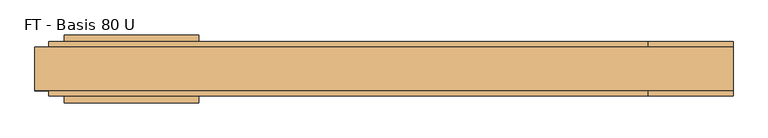
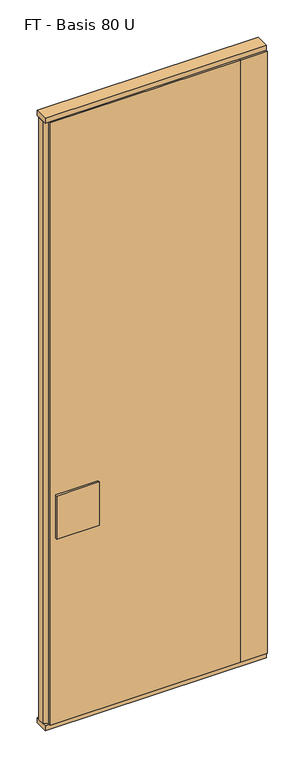
"""IFC4 building model written with IfcOpenShell, lengths in millimetres: door geometry, FT - Basis 80 U."""

from ifc_helpers import new_model, si_unit, frame, origin, origin_with_axes, place, context, project, spatial, polyline, outline, extrude, source, transform, mapped, element, save


def ft_basis_80_u_223a8489(model_context):
    return source(origin(), model_context, "Body", "SweptSolid", [
        extrude(outline(polyline([(387.5, 40.0), (387.5, 23.0), (407.5, 17.6410162), (407.5, -17.6410162), (387.5, -23.0), (387.5, -40.0), (-492.5, -40.0), (-492.5, -23.0), (-512.5, -17.6410162), (-512.5, 17.6410162), (-492.5, 23.0), (-492.5, 40.0), (387.5, 40.0)])), frame((0.0, 0.0, 25.0), z_axis=(0.0, 0.0, 1.0), x_axis=(1.0, 0.0, 0.0)), (0.0, 0.0, 1.0), 2950.0),
        extrude(outline(polyline([(-272.2719698, -50.0), (-469.2719698, -50.0), (-469.2719698, -40.0), (-272.2719698, -40.0), (-272.2719698, -50.0)])), frame((0.0, 0.0, 934.0), z_axis=(0.0, 0.0, 1.0), x_axis=(1.0, 0.0, 0.0)), (0.0, 0.0, 1.0), 212.0),
        extrude(outline(polyline([(-272.2719698, 40.0), (-469.2719698, 40.0), (-469.2719698, 50.0), (-272.2719698, 50.0), (-272.2719698, 40.0)])), frame((0.0, 0.0, 934.0), z_axis=(0.0, 0.0, 1.0), x_axis=(1.0, 0.0, 0.0)), (0.0, 0.0, 1.0), 212.0),
        extrude(outline(polyline([(387.5, -40.0), (387.5, -23.0), (407.5, -17.6410162), (407.5, 17.6410162), (387.5, 23.0), (387.5, 40.0), (512.5, 40.0), (512.5, -40.0), (387.5, -40.0)])), frame((0.0, 0.0, 25.0), z_axis=(0.0, 0.0, 1.0), x_axis=(1.0, 0.0, 0.0)), (0.0, 0.0, 1.0), 2950.0),
        extrude(outline(polyline([(512.5, 32.0), (512.5, -32.0), (-512.5, -32.0), (-512.5, 32.0), (512.5, 32.0)])), origin_with_axes(), (0.0, 0.0, 1.0), 25.0),
        extrude(outline(polyline([(512.5, 32.0), (512.5, -32.0), (-512.5, -32.0), (-512.5, 32.0), (512.5, 32.0)])), frame((0.0, 0.0, 2975.0), z_axis=(0.0, 0.0, 1.0), x_axis=(1.0, 0.0, 0.0)), (0.0, 0.0, 1.0), 25.0),
    ])


if __name__ == "__main__":
    model = new_model("IFC4")
    model_context = context("Model", 3, world=origin())
    ifc_project = project(units=[si_unit("LENGTHUNIT", "METRE", prefix="MILLI")], contexts=[model_context])
    site = spatial("IfcSite", under=ifc_project)
    building = spatial("IfcBuilding", under=site)
    placement = place(None, origin())
    ft_basis_80_u_shape = ft_basis_80_u_223a8489(model_context)
    element("IfcDoor", 1, ObjectType="FT - Basis 80 U", at=placement, inside=building, context=model_context, shape_type="MappedRepresentation", body=[
        mapped(ft_basis_80_u_shape, transform((0.0, 0.0, 0.0), x_axis=(1.0, 0.0, 0.0), y_axis=(0.0, 1.0, 0.0), z_axis=(0.0, 0.0, 1.0))),
    ])
    save(model, "model.ifc")
